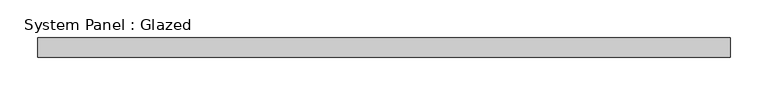
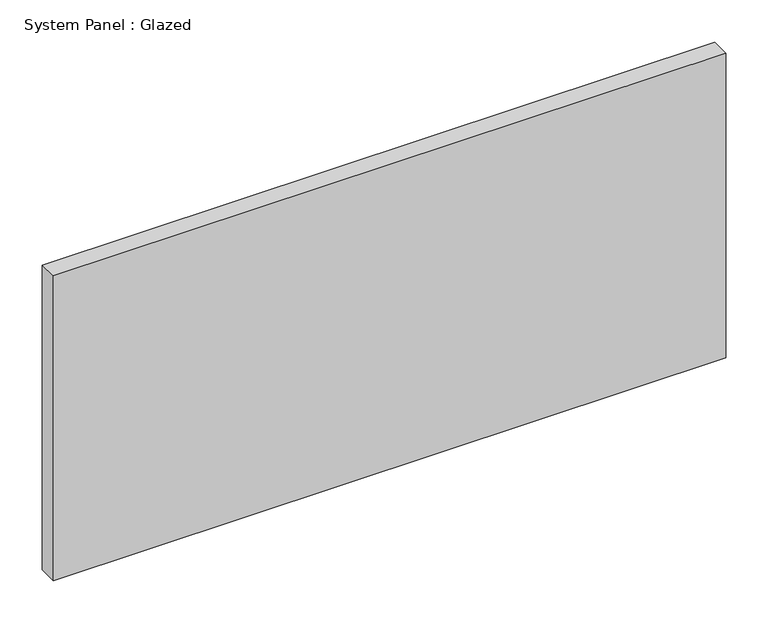
"""IFC4 building model written with IfcOpenShell, lengths in millimetres: plate geometry, System Panel : Glazed."""

from ifc_helpers import new_model, si_unit, origin, origin_with_axes, place, context, project, spatial, polyline, outline, extrude, source, transform, mapped, element, save


def system_panel_glazed_c492a800(model_context):
    return source(origin(), model_context, "Body", "SweptSolid", [
        extrude(outline(polyline([(457.2, -44.45), (-457.2, -44.45), (-457.2, -19.05), (457.2, -19.05), (457.2, -44.45)])), origin_with_axes(), (0.0, 0.0, 1.0), 438.15),
    ])


if __name__ == "__main__":
    model = new_model("IFC4")
    model_context = context("Model", 3, world=origin())
    ifc_project = project(units=[si_unit("LENGTHUNIT", "METRE", prefix="MILLI")], contexts=[model_context])
    site = spatial("IfcSite", under=ifc_project)
    building = spatial("IfcBuilding", under=site)
    placement = place(None, origin())
    system_panel_glazed_shape = system_panel_glazed_c492a800(model_context)
    element("IfcPlate", 1, ObjectType="System Panel : Glazed", at=placement, inside=building, context=model_context, shape_type="MappedRepresentation", body=[
        mapped(system_panel_glazed_shape, transform((0.0, 0.0, 0.0), x_axis=(1.0, 0.0, 0.0), y_axis=(0.0, 1.0, 0.0), z_axis=(0.0, 0.0, 1.0))),
    ])
    save(model, "model.ifc")
